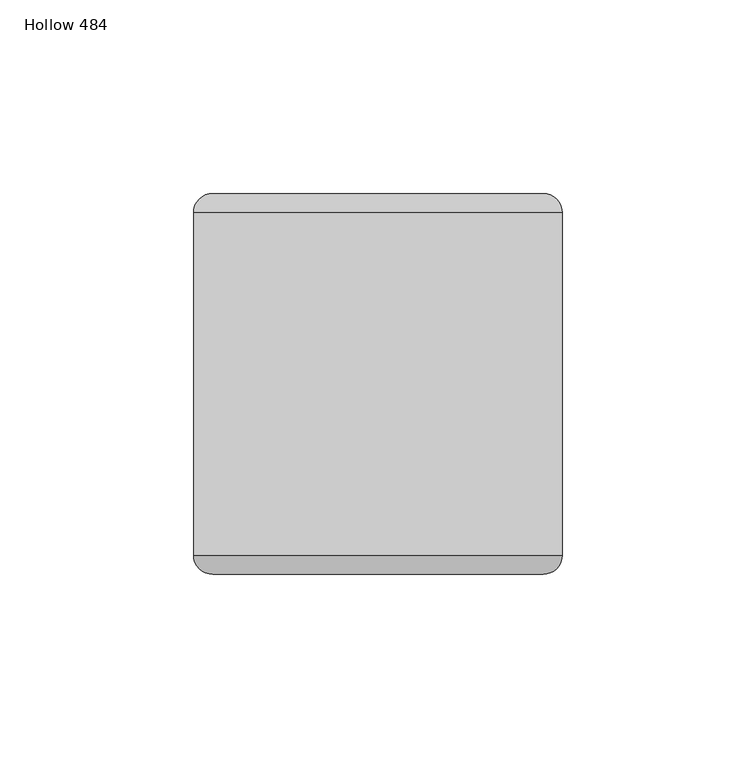
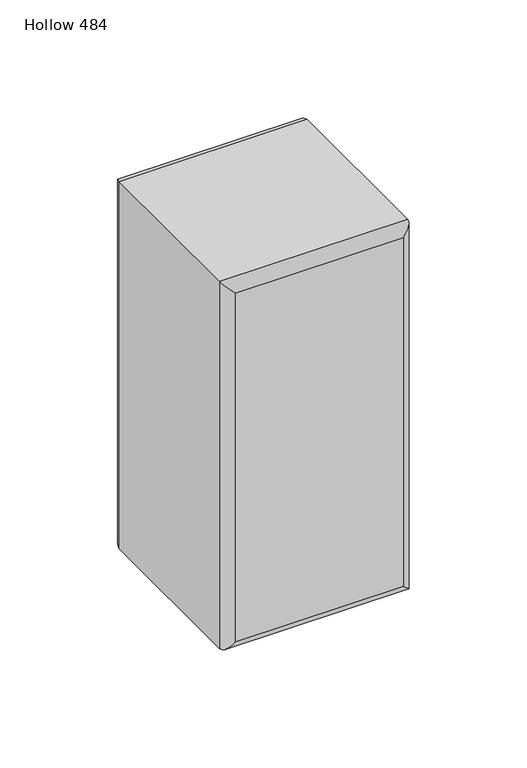
"""IFC4 building model written with IfcOpenShell, lengths in millimetres: plate geometry, Hollow 484."""

from ifc_helpers import new_model, si_unit, frame, origin, place, context, project, spatial, ellipse_curve, source, transform, mapped, element, save
from ifc_brep_helpers import plane_surface, cylinder_surface, advanced_brep


def hollow_484_f1b07c94(model_context):
    return source(origin(), model_context, "Body", "AdvancedBrep", [
        advanced_brep(
        [(-47.6250002, -44.2, 197.0), (47.6749998, -44.2, 197.0), (47.6749998, 44.2, 197.0), (-47.6250002, 44.2, 197.0), (47.6749998, -44.2, 0.0), (-47.6250002, -44.2, 0.0), (-47.6250002, 44.2, 0.0), (47.6749998, 44.2, 0.0), (-42.6250002, -49.2, 5.0), (42.6749998, -49.2, 5.0), (42.6749998, -49.2, 192.0), (-42.6250002, -49.2, 192.0), (42.6749998, 49.2, 5.0), (-42.6250002, 49.2, 5.0), (-42.6250002, 49.2, 192.0), (42.6749998, 49.2, 192.0)],
        [
            (0, 1),
            (1, 2),
            (2, 3),
            (3, 0),
            (4, 5),
            (5, 6),
            (6, 7),
            (7, 4),
            (8, 9),
            (9, 10),
            (10, 11),
            (11, 8),
            (1, 4),
            (7, 2),
            (12, 13),
            (13, 14),
            (14, 15),
            (15, 12),
            (5, 0),
            (3, 6),
            (4, 9, ellipse_curve(frame((42.6749998, -44.2, 5.0), z_axis=(-0.7071067811865475, 0.0, -0.7071067811865475), x_axis=(0.7071067811865476, 0.0, -0.7071067811865474)), 7.0710678, 5.0)),
            (8, 5, ellipse_curve(frame((-42.6250002, -44.2, 5.0), z_axis=(0.7071067811865475, 0.0, -0.7071067811865475), x_axis=(0.7071067811865476, 0.0, 0.7071067811865474)), 7.0710678, 5.0)),
            (1, 10, ellipse_curve(frame((42.6749998, -44.2, 192.0), z_axis=(0.7071067811865475, 0.0, -0.7071067811865475), x_axis=(0.7071067811865474, 0.0, 0.7071067811865476)), 7.0710678, 5.0)),
            (0, 11, ellipse_curve(frame((-42.6250002, -44.2, 192.0), z_axis=(0.7071067811865475, 0.0, 0.7071067811865475), x_axis=(-0.7071067811865476, 0.0, 0.7071067811865474)), 7.0710678, 5.0)),
            (12, 7, ellipse_curve(frame((42.6749998, 44.2, 5.0), z_axis=(-0.7071067811865475, 0.0, -0.7071067811865475), x_axis=(0.7071067811865476, 0.0, -0.7071067811865474)), 7.0710678, 5.0)),
            (6, 13, ellipse_curve(frame((-42.6250002, 44.2, 5.0), z_axis=(0.7071067811865475, 0.0, -0.7071067811865475), x_axis=(0.7071067811865476, 0.0, 0.7071067811865474)), 7.0710678, 5.0)),
            (15, 2, ellipse_curve(frame((42.6749998, 44.2, 192.0), z_axis=(0.7071067811865475, 0.0, -0.7071067811865475), x_axis=(0.7071067811865474, 0.0, 0.7071067811865476)), 7.0710678, 5.0)),
            (14, 3, ellipse_curve(frame((-42.6250002, 44.2, 192.0), z_axis=(0.7071067811865475, 0.0, 0.7071067811865475), x_axis=(-0.7071067811865476, 0.0, 0.7071067811865474)), 7.0710678, 5.0)),
        ],
        [
            plane_surface(frame((-47.6250002, -49.2, 197.0), z_axis=(0.0, 0.0, 1.0), x_axis=(1.0, 0.0, 0.0))),
            plane_surface(frame((-47.6250002, -49.2, 0.0), z_axis=(0.0, 0.0, -1.0), x_axis=(-1.0, 0.0, 0.0))),
            plane_surface(frame((-47.6250002, -49.2, 197.0), z_axis=(0.0, -1.0, 0.0), x_axis=(0.0, 0.0, -1.0))),
            plane_surface(frame((47.6749998, -49.2, 197.0), z_axis=(1.0, 0.0, 0.0), x_axis=(0.0, 0.0, -1.0))),
            plane_surface(frame((47.6749998, 49.2, 197.0), z_axis=(0.0, 1.0, 0.0), x_axis=(0.0, 0.0, -1.0))),
            plane_surface(frame((-47.6250002, 49.2, 197.0), z_axis=(-1.0, 0.0, 0.0), x_axis=(0.0, 0.0, -1.0))),
            cylinder_surface(frame((-47.6250002, -44.2, 5.0), z_axis=(1.0, 0.0, 0.0), x_axis=(0.0, 0.0, -1.0)), 5.0),
            cylinder_surface(frame((42.6749998, -44.2, 0.0), z_axis=(0.0, 0.0, 1.0), x_axis=(1.0, 0.0, 0.0)), 5.0),
            cylinder_surface(frame((47.6749998, -44.2, 192.0), z_axis=(-1.0, 0.0, 0.0), x_axis=(0.0, 0.0, 1.0)), 5.0),
            cylinder_surface(frame((-42.6250002, -44.2, 197.0), z_axis=(0.0, 0.0, -1.0), x_axis=(-1.0, 0.0, 0.0)), 5.0),
            cylinder_surface(frame((-47.6250002, 44.2, 5.0), z_axis=(1.0, 0.0, 0.0), x_axis=(0.0, 0.0, -1.0)), 5.0),
            cylinder_surface(frame((42.6749998, 44.2, 0.0), z_axis=(0.0, 0.0, 1.0), x_axis=(1.0, 0.0, 0.0)), 5.0),
            cylinder_surface(frame((47.6749998, 44.2, 192.0), z_axis=(-1.0, 0.0, 0.0), x_axis=(0.0, 0.0, 1.0)), 5.0),
            cylinder_surface(frame((-42.6250002, 44.2, 197.0), z_axis=(0.0, 0.0, -1.0), x_axis=(-1.0, 0.0, 0.0)), 5.0),
        ],
        [
            (0, [[1, 2, 3, 4]]),
            (1, [[5, 6, 7, 8]]),
            (2, [[9, 10, 11, 12]]),
            (3, [[13, -8, 14, -2]]),
            (4, [[15, 16, 17, 18]]),
            (5, [[19, -4, 20, -6]]),
            (6, [[21, -9, 22, -5]]),
            (7, [[-21, -13, 23, -10]]),
            (8, [[-23, -1, 24, -11]]),
            (9, [[-22, -12, -24, -19]]),
            (10, [[25, -7, 26, -15]]),
            (11, [[-25, -18, 27, -14]]),
            (12, [[-27, -17, 28, -3]]),
            (13, [[-26, -20, -28, -16]]),
        ],
    ),
    ])


if __name__ == "__main__":
    model = new_model("IFC4")
    model_context = context("Model", 3, world=origin())
    ifc_project = project(units=[si_unit("LENGTHUNIT", "METRE", prefix="MILLI")], contexts=[model_context])
    site = spatial("IfcSite", under=ifc_project)
    building = spatial("IfcBuilding", under=site)
    placement = place(None, origin())
    hollow_484_shape = hollow_484_f1b07c94(model_context)
    element("IfcPlate", 1, ObjectType="Hollow 484", at=placement, inside=building, context=model_context, shape_type="MappedRepresentation", body=[
        mapped(hollow_484_shape, transform((0.0, 0.0, 0.0), x_axis=(1.0, 0.0, 0.0), y_axis=(0.0, 1.0, 0.0), z_axis=(0.0, 0.0, 1.0))),
    ])
    save(model, "model.ifc")
